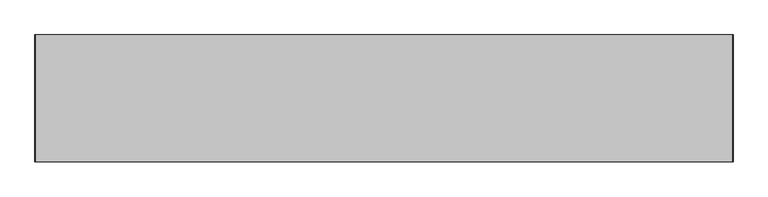
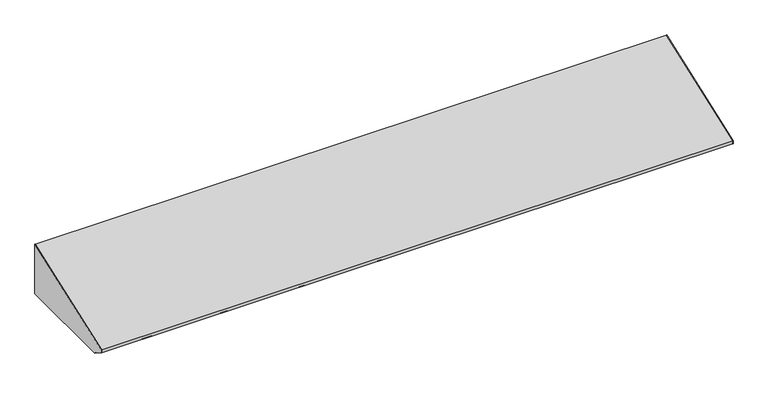
"""IFC4 building model written with IfcOpenShell, lengths in millimetres: furniture geometry."""

from ifc_helpers import new_model, si_unit, frame, origin, place, context, project, spatial, polyline, outline, extrude, source, transform, mapped, element, save


def furniture_84b78dc4(model_context):
    return source(origin(), model_context, "Body", "SweptSolid", [
        extrude(outline(polyline([(-21.75256, 2222.1593551), (-21.75256, 2121.03462), (-221.4493187, 2121.03462), (-243.29136, 2134.8657616), (-243.29136, 2140.9880122), (-21.75256, 2222.1593551)])), frame((627.5439549, 0.0, 0.0), z_axis=(1.0, 0.0, 0.0), x_axis=(0.0, 1.0, 0.0)), (0.0, 0.0, 1.0), 0.79375),
        extrude(outline(polyline([(-21.75256, 2121.03462), (-221.4493187, 2121.03462), (-243.29136, 2134.8657616), (-243.29136, 2140.9880122), (-21.75256, 2222.1593551), (-21.75256, 2121.03462)])), frame((-590.8622951, 0.0, 0.0), z_axis=(1.0, 0.0, 0.0), x_axis=(0.0, 1.0, 0.0)), (0.0, 0.0, 1.0), 0.79375),
        extrude(outline(polyline([(609.288502, -208.7493187), (609.288502, -97.8702473), (627.5439549, -97.8702473), (627.5439549, -208.7493187), (609.288502, -208.7493187)])), frame((0.0, 0.0, 2121.03462), z_axis=(0.0, 0.0, 1.0), x_axis=(1.0, 0.0, 0.0)), (0.0, 0.0, 1.0), 0.79375),
        extrude(outline(polyline([(-21.75256, 2121.03462), (-97.5295544, 2121.03462), (-97.5295544, 2121.82837), (-22.54631, 2121.82837), (-22.54631, 2207.6496989), (-21.75256, 2207.6496989), (-21.75256, 2121.03462)])), frame((616.9081836, 0.0, 0.0), z_axis=(1.0, 0.0, 0.0), x_axis=(0.0, 1.0, 0.0)), (0.0, 0.0, 1.0), 10.6357713),
        extrude(outline(polyline([(-21.75256, 2121.03462), (-97.5295544, 2121.03462), (-97.5295544, 2121.82837), (-22.54631, 2121.82837), (-22.54631, 2207.6496989), (-21.75256, 2207.6496989), (-21.75256, 2121.03462)])), frame((-590.0685451, 0.0, 0.0), z_axis=(1.0, 0.0, 0.0), x_axis=(0.0, 1.0, 0.0)), (0.0, 0.0, 1.0), 10.6357713),
        extrude(outline(polyline([(-590.0685451, -208.7493187), (-590.0685451, -97.8702473), (-571.8130922, -97.8702473), (-571.8130922, -208.7493187), (-590.0685451, -208.7493187)])), frame((0.0, 0.0, 2121.03462), z_axis=(0.0, 0.0, 1.0), x_axis=(1.0, 0.0, 0.0)), (0.0, 0.0, 1.0), 0.79375),
        extrude(outline(polyline([(-243.29136, 2140.9880122), (-21.75256, 2222.1593551), (-21.75256, 2207.6496989), (-22.54631, 2207.6496989), (-22.54631, 2221.0231009), (-242.49761, 2140.4335244), (-242.49761, 2135.3026399), (-221.2358067, 2121.82837), (-208.7493187, 2121.82837), (-208.7493187, 2121.03462), (-221.4493187, 2121.03462), (-243.29136, 2134.8657616), (-243.29136, 2140.9880122)])), frame((-590.0685451, 0.0, 0.0), z_axis=(1.0, 0.0, 0.0), x_axis=(0.0, 1.0, 0.0)), (0.0, 0.0, 1.0), 1217.6125),
    ])


if __name__ == "__main__":
    model = new_model("IFC4")
    model_context = context("Model", 3, world=origin())
    ifc_project = project(units=[si_unit("LENGTHUNIT", "METRE", prefix="MILLI")], contexts=[model_context])
    site = spatial("IfcSite", under=ifc_project)
    building = spatial("IfcBuilding", under=site)
    placement = place(None, origin())
    furniture_shape = furniture_84b78dc4(model_context)
    element("IfcFurniture", 1, at=placement, inside=building, context=model_context, shape_type="MappedRepresentation", body=[
        mapped(furniture_shape, transform((0.0, 0.0, 0.0), x_axis=(1.0, 0.0, 0.0), y_axis=(0.0, 1.0, 0.0), z_axis=(0.0, 0.0, 1.0))),
    ])
    save(model, "model.ifc")
